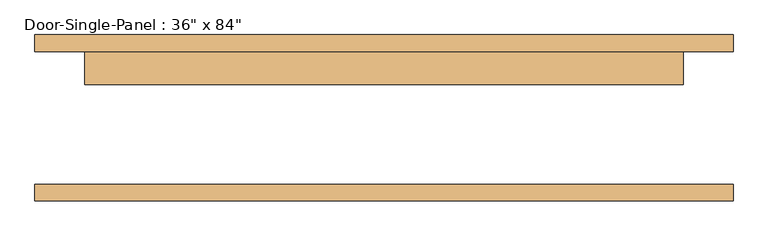
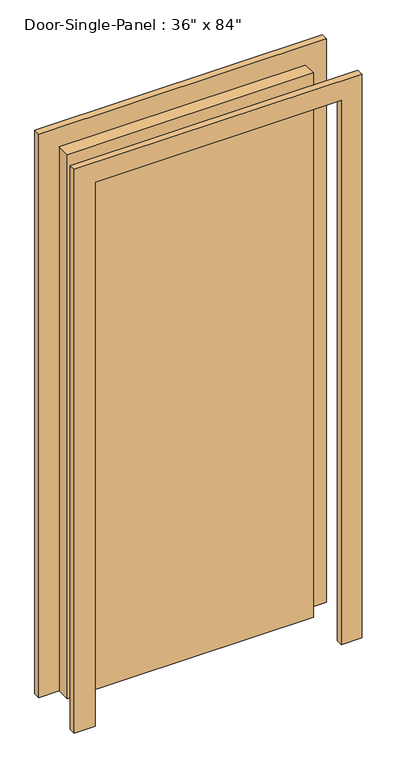
"""IFC4 building model written with IfcOpenShell, lengths in millimetres: door geometry."""

import ifcopenshell
import ifcopenshell.guid

model = None  # the IFC model being written
_history = None  # IfcOwnerHistory: only IFC2X3 demands one
_inside = {}  # id of a spatial element -> (the spatial element, [elements in it])
_under = {}  # id of a project, library or spatial element -> (it, [spatial elements below it])
_declared = {}  # id of a project -> (the project, [libraries it declares])
_typed = {}  # id of a type object -> (the type object, [elements of that type])
_made_of = {}  # id of a material, layer set ... -> (it, [elements and type objects made of it])


def new_model(schema):
    """Start an empty IFC model of exactly this schema.

    Asked for "IFC4X3", IfcOpenShell would pick the latest addendum, in which some entities
    have other attributes; the version numbers below select the first issue.
    IFC2X3 requires an IfcOwnerHistory on every rooted entity: one is made here for all.
    """
    global model, _history
    if schema == "IFC4X3":
        model = ifcopenshell.file(schema_version=(4, 3, 0, 0))
    else:
        model = ifcopenshell.file(schema=schema)
    _inside.clear()
    _under.clear()
    _declared.clear()
    _typed.clear()
    _made_of.clear()
    _history = None
    if model.schema == "IFC2X3":
        org = make("IfcOrganization", Name="unknown")
        user = make(
            "IfcPersonAndOrganization",
            ThePerson=make("IfcPerson", FamilyName="unknown"),
            TheOrganization=org,
        )
        app = make(
            "IfcApplication",
            ApplicationDeveloper=org,
            Version="unknown",
            ApplicationFullName="unknown",
            ApplicationIdentifier="unknown",
        )
        _history = make(
            "IfcOwnerHistory",
            OwningUser=user,
            OwningApplication=app,
            ChangeAction="ADDED",
            CreationDate=0,
        )
    return model


def make(cls, **values):
    """One entity of the class cls with the attributes given. An attribute that is None is left unset."""
    return model.create_entity(
        cls, **{name: value for name, value in values.items() if value is not None}
    )


def rooted(cls, **values):
    """An entity with a GlobalId (a new one), such as an element, a storey or a relation."""
    return make(cls, GlobalId=ifcopenshell.guid.new(), OwnerHistory=_history, **values)


def si_unit(unit_type, name, prefix=None):
    """IfcSIUnit, for example si_unit("LENGTHUNIT", "METRE", prefix="MILLI")."""
    return make("IfcSIUnit", UnitType=unit_type, Prefix=prefix, Name=name)


def assignment(units):
    """IfcUnitAssignment: the units of a project."""
    return None if units is None else make("IfcUnitAssignment", Units=units)


def point(xyz):
    """IfcCartesianPoint."""
    return None if xyz is None else make("IfcCartesianPoint", Coordinates=xyz)


def direction(xyz):
    """IfcDirection."""
    return None if xyz is None else make("IfcDirection", DirectionRatios=xyz)


def frame(location, z_axis=None, x_axis=None):
    """IfcAxis2Placement3D, a coordinate frame: its origin and axes. An axis left out is left unset."""
    return make(
        "IfcAxis2Placement3D",
        Location=point(location),
        Axis=direction(z_axis),
        RefDirection=direction(x_axis),
    )


def origin():
    """The frame at (0, 0, 0) with its axes left unset."""
    return frame((0.0, 0.0, 0.0))


def origin_with_axes():
    """The frame at (0, 0, 0) with the z axis (0, 0, 1) and the x axis (1, 0, 0) written out."""
    return frame((0.0, 0.0, 0.0), z_axis=(0.0, 0.0, 1.0), x_axis=(1.0, 0.0, 0.0))


def place(relative_to, where):
    """IfcLocalPlacement: puts the frame where relative to a parent placement (None: the world)."""
    return make(
        "IfcLocalPlacement", PlacementRelTo=relative_to, RelativePlacement=where
    )


def context(
    kind, dimensions, precision=None, world=None, true_north=None, identifier=None
):
    """IfcGeometricRepresentationContext, for example the 3D "Model" context."""
    return make(
        "IfcGeometricRepresentationContext",
        ContextIdentifier=identifier,
        ContextType=kind,
        CoordinateSpaceDimension=dimensions,
        Precision=precision,
        WorldCoordinateSystem=world,
        TrueNorth=true_north,
    )


def project(units=None, contexts=None):
    """IfcProject with its units and contexts."""
    return rooted(
        "IfcProject",
        Name="project",
        RepresentationContexts=contexts,
        UnitsInContext=assignment(units),
    )


def spatial(cls, under=None, at=None, **own):
    """A site, building, storey or space (cls), placed at a placement, below another one or the project."""
    s = rooted(cls, ObjectPlacement=at, **own)
    if under is not None:
        _under.setdefault(under.id(), (under, []))[1].append(s)
    return s


def polyline(points):
    """IfcPolyline through the points."""
    return make("IfcPolyline", Points=[point(p) for p in points])


def outline(outer, holes=None, kind="AREA"):
    """IfcArbitraryClosedProfileDef: a profile drawn as a closed curve; with holes, ...WithVoids."""
    if holes is None:
        return make("IfcArbitraryClosedProfileDef", ProfileType=kind, OuterCurve=outer)
    return make(
        "IfcArbitraryProfileDefWithVoids",
        ProfileType=kind,
        OuterCurve=outer,
        InnerCurves=holes,
    )


def extrude(swept, where, along, depth):
    """IfcExtrudedAreaSolid: the profile swept, set in the frame where, extruded along a direction by depth."""
    return make(
        "IfcExtrudedAreaSolid",
        SweptArea=swept,
        Position=where,
        ExtrudedDirection=direction(along),
        Depth=depth,
    )


def shape(context_of_items, identifier, shape_type, items):
    """IfcShapeRepresentation: the items that make up one representation, for example the "Body"."""
    return make(
        "IfcShapeRepresentation",
        ContextOfItems=context_of_items,
        RepresentationIdentifier=identifier,
        RepresentationType=shape_type,
        Items=items,
    )


def source(mapping_origin, context_of_items, identifier, shape_type, items):
    """IfcRepresentationMap: a shape defined once, which mapped items show again and again."""
    return make(
        "IfcRepresentationMap",
        MappingOrigin=mapping_origin,
        MappedRepresentation=shape(context_of_items, identifier, shape_type, items),
    )


def transform(
    local_origin,
    x_axis=None,
    y_axis=None,
    z_axis=None,
    scale=None,
    scale2=None,
    scale3=None,
    uniform=True,
):
    """IfcCartesianTransformationOperator3D, or its non-uniform kind. x_axis, y_axis, z_axis: its Axis1, 2, 3."""
    if uniform:
        return make(
            "IfcCartesianTransformationOperator3D",
            Axis1=direction(x_axis),
            Axis2=direction(y_axis),
            LocalOrigin=point(local_origin),
            Scale=scale,
            Axis3=direction(z_axis),
        )
    return make(
        "IfcCartesianTransformationOperator3DnonUniform",
        Axis1=direction(x_axis),
        Axis2=direction(y_axis),
        LocalOrigin=point(local_origin),
        Scale=scale,
        Axis3=direction(z_axis),
        Scale2=scale2,
        Scale3=scale3,
    )


def mapped(mapping_source, mapping_target):
    """IfcMappedItem: shows the shape of a source again, moved by a transform."""
    return make(
        "IfcMappedItem", MappingSource=mapping_source, MappingTarget=mapping_target
    )


def made_of(thing, what):
    """Note that an element or type object is made of a material, layer set ...; save() writes the relation."""
    if what is not None:
        _made_of.setdefault(what.id(), (what, []))[1].append(thing)
    return thing


def element(
    cls,
    number,
    at=None,
    inside=None,
    cuts=None,
    type_object=None,
    material=None,
    context=None,
    identifier="Body",
    shape_type=None,
    held_by="IfcProductDefinitionShape",
    body=None,
    shapes=None,
    **own,
):
    """One element of the class cls, such as IfcWall. Its Tag is "e" and its number.

    at: its placement. inside: the storey or other place that contains it. cuts: it is an
    opening in that element (IfcRelVoidsElement). A single representation is given by context,
    identifier, shape_type and body (its items); several are given by shapes. held_by: the class
    of the entity that holds the representations. save() writes the other relations.
    """
    e = rooted(cls, Tag="e%d" % number, ObjectPlacement=at, **own)
    if body is not None:
        shapes = [shape(context, identifier, shape_type, body)]
    if shapes is not None:
        e.Representation = make(held_by, Representations=shapes)
    if inside is not None:
        _inside.setdefault(inside.id(), (inside, []))[1].append(e)
    if cuts is not None:
        rooted(
            "IfcRelVoidsElement", RelatingBuildingElement=cuts, RelatedOpeningElement=e
        )
    if type_object is not None:
        _typed.setdefault(type_object.id(), (type_object, []))[1].append(e)
    return made_of(e, material)


def aggregate(whole, parts):
    """IfcRelAggregates: a whole, such as a stair, and the parts it consists of."""
    return rooted("IfcRelAggregates", RelatingObject=whole, RelatedObjects=parts)


def save(model, path):
    """Write the relations noted so far, then the file.

    IfcRelAggregates (storeys below a building ...), IfcRelContainedInSpatialStructure (elements
    in a storey), IfcRelDefinesByType, IfcRelAssociatesMaterial and IfcRelDeclares: one each for
    every whole, place, type object, material and project.
    """
    for whole, parts in _under.values():
        aggregate(whole, parts)
    for where, things in _inside.values():
        rooted(
            "IfcRelContainedInSpatialStructure",
            RelatedElements=things,
            RelatingStructure=where,
        )
    for kind, things in _typed.values():
        rooted("IfcRelDefinesByType", RelatedObjects=things, RelatingType=kind)
    for what, things in _made_of.values():
        rooted("IfcRelAssociatesMaterial", RelatedObjects=things, RelatingMaterial=what)
    for by, libraries in _declared.values():
        rooted("IfcRelDeclares", RelatingContext=by, RelatedDefinitions=libraries)
    model.write(path)


def door_8cd1e491(model_context):
    return source(origin(), model_context, "Body", "SweptSolid", [
        extrude(outline(polyline([(457.2, 50.8), (-457.2, 50.8), (-457.2, 101.6), (457.2, 101.6), (457.2, 50.8)])), origin_with_axes(), (0.0, 0.0, 1.0), 2133.6),
        extrude(outline(polyline([(2209.8, -533.4), (0.0, -533.4), (0.0, -457.2), (2133.6, -457.2), (2133.6, 457.2), (0.0, 457.2), (0.0, 533.4), (2209.8, 533.4), (2209.8, -533.4)])), frame((0.0, 101.6, 0.0), z_axis=(0.0, 1.0, 0.0), x_axis=(0.0, 0.0, 1.0)), (0.0, 0.0, 1.0), 25.4),
        extrude(outline(polyline([(2209.8, 533.4), (2209.8, -533.4), (0.0, -533.4), (0.0, -457.2), (2133.6, -457.2), (2133.6, 457.2), (0.0, 457.2), (0.0, 533.4), (2209.8, 533.4)])), frame((0.0, -127.0, 0.0), z_axis=(0.0, 1.0, 0.0), x_axis=(0.0, 0.0, 1.0)), (0.0, 0.0, 1.0), 25.4),
    ])


if __name__ == "__main__":
    model = new_model("IFC4")
    model_context = context("Model", 3, world=origin())
    ifc_project = project(units=[si_unit("LENGTHUNIT", "METRE", prefix="MILLI")], contexts=[model_context])
    site = spatial("IfcSite", under=ifc_project)
    building = spatial("IfcBuilding", under=site)
    placement = place(None, origin())
    door_shape = door_8cd1e491(model_context)
    element("IfcDoor", 1, ObjectType="Door-Single-Panel : 36\" x 84\"", at=placement, inside=building, context=model_context, shape_type="MappedRepresentation", body=[
        mapped(door_shape, transform((0.0, 0.0, 0.0), x_axis=(1.0, 0.0, 0.0), y_axis=(0.0, 1.0, 0.0), z_axis=(0.0, 0.0, 1.0))),
    ])
    save(model, "model.ifc")
